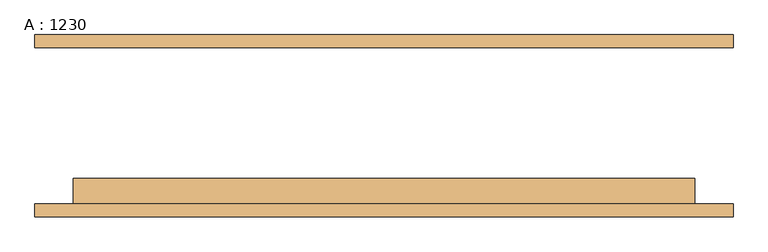
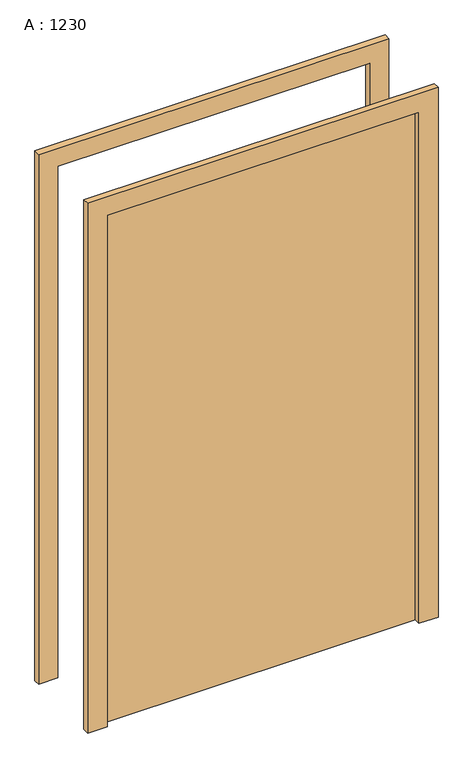
"""IFC4 building model written with IfcOpenShell, lengths in millimetres: door geometry, A : 1230."""

from ifc_helpers import new_model, si_unit, frame, origin, origin_with_axes, place, context, project, spatial, polyline, outline, extrude, source, transform, mapped, element, save


def a_1230_2b571713(model_context):
    return source(origin(), model_context, "Body", "SweptSolid", [
        extrude(outline(polyline([(2209.8, -691.2), (0.0, -691.2), (0.0, -615.0), (2133.6, -615.0), (2133.6, 615.0), (0.0, 615.0), (0.0, 691.2), (2209.8, 691.2), (2209.8, -691.2)])), frame((0.0, -180.375, 0.0), z_axis=(0.0, 1.0, 0.0), x_axis=(0.0, 0.0, 1.0)), (0.0, 0.0, 1.0), 25.4),
        extrude(outline(polyline([(2209.8, 691.2), (2209.8, -691.2), (0.0, -691.2), (0.0, -615.0), (2133.6, -615.0), (2133.6, 615.0), (0.0, 615.0), (0.0, 691.2), (2209.8, 691.2)])), frame((0.0, 154.975, 0.0), z_axis=(0.0, 1.0, 0.0), x_axis=(0.0, 0.0, 1.0)), (0.0, 0.0, 1.0), 25.4),
        extrude(outline(polyline([(615.0, -104.175), (615.0, -154.975), (-615.0, -154.975), (-615.0, -104.175), (615.0, -104.175)])), origin_with_axes(), (0.0, 0.0, 1.0), 2133.6),
    ])


if __name__ == "__main__":
    model = new_model("IFC4")
    model_context = context("Model", 3, world=origin())
    ifc_project = project(units=[si_unit("LENGTHUNIT", "METRE", prefix="MILLI")], contexts=[model_context])
    site = spatial("IfcSite", under=ifc_project)
    building = spatial("IfcBuilding", under=site)
    placement = place(None, origin())
    a_1230_shape = a_1230_2b571713(model_context)
    element("IfcDoor", 1, ObjectType="A : 1230", at=placement, inside=building, context=model_context, shape_type="MappedRepresentation", body=[
        mapped(a_1230_shape, transform((0.0, 0.0, 0.0), x_axis=(1.0, 0.0, 0.0), y_axis=(0.0, 1.0, 0.0), z_axis=(0.0, 0.0, 1.0))),
    ])
    save(model, "model.ifc")
